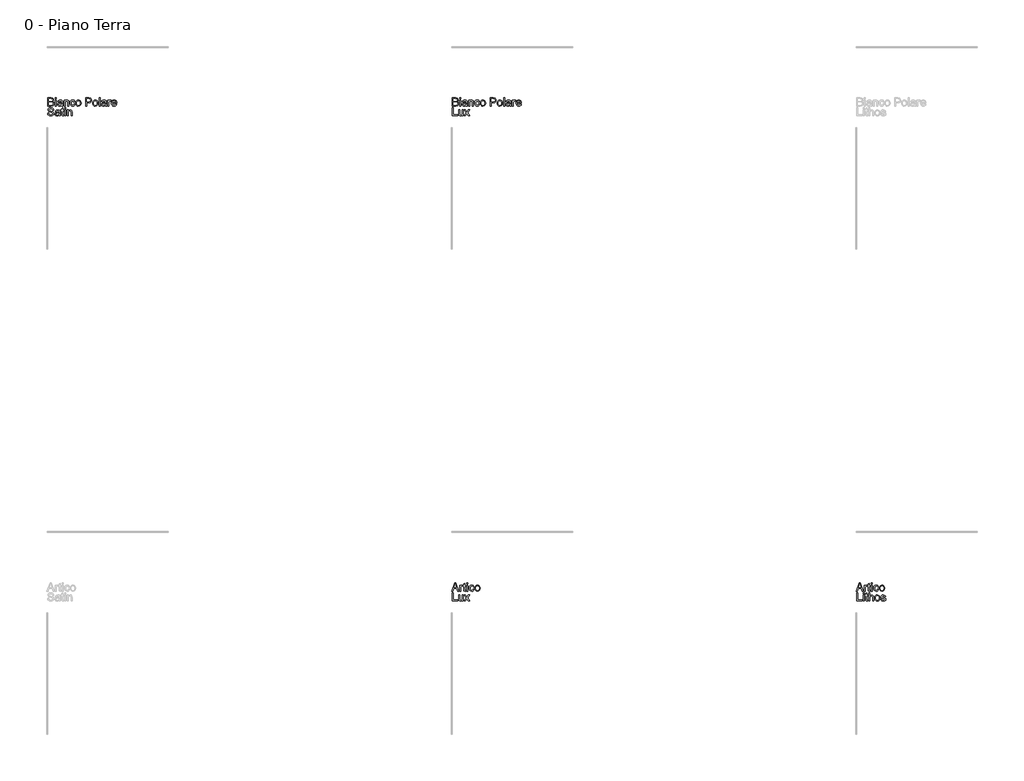
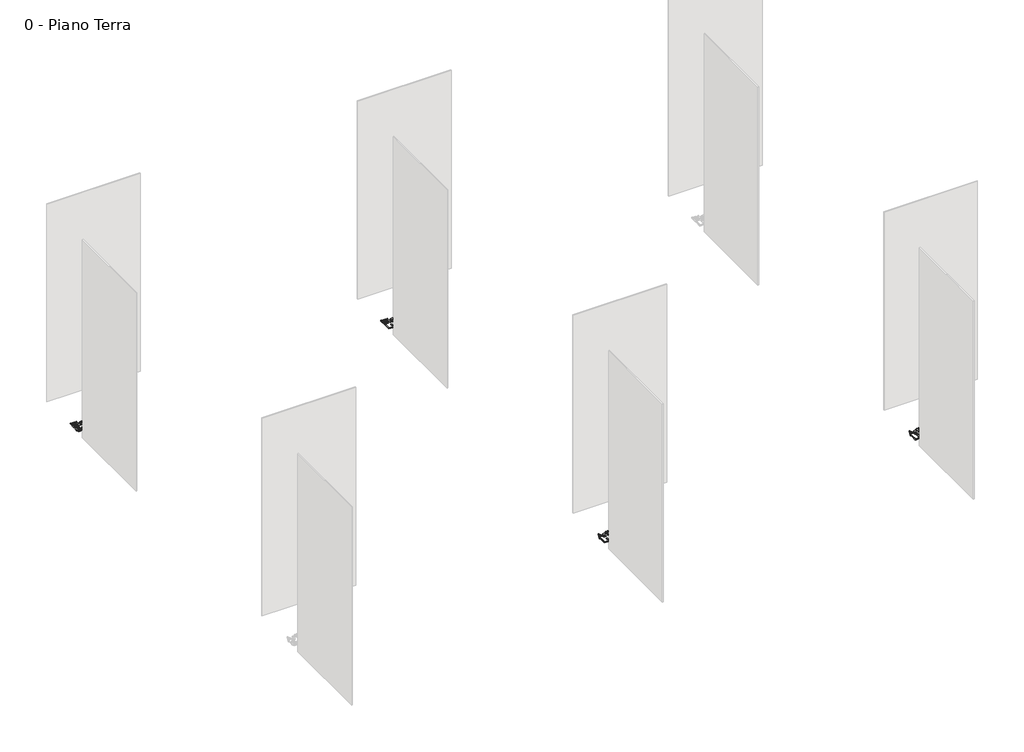
# One storey, part 27 of 35: 4 proxies.
"""IFC4 building model written with IfcOpenShell, lengths in millimetres."""

from ifc_helpers import new_model, si_unit, origin, origin_with_axes, place, context, project, spatial, polyline, outline, extrude, element, save

model = new_model("IFC4")

# Units and contexts
model_context = context("Model", 3, world=origin())
ifc_project = project(units=[si_unit("LENGTHUNIT", "METRE", prefix="MILLI")], contexts=[model_context])

# Site, building, storey
site = spatial("IfcSite", under=ifc_project)
building = spatial("IfcBuilding", under=site)
storey = spatial("IfcBuildingStorey", under=building, Name="0 - Piano Terra", Elevation=0.0)

# Proxies
placement = place(None, origin())
element("IfcBuildingElementProxy", 1, Name="Testo modello 1", ObjectType="Testo modello 1", at=placement, inside=storey, context=model_context, shape_type="SweptSolid", body=[
    extrude(outline(polyline([(2731.7292491, -12273.7592352), (2731.7292491, -12173.302925), (2770.062553, -12173.302925), (2788.8367975, -12176.2582437), (2799.9223082, -12185.344929), (2803.932222, -12198.1962733), (2800.5599704, -12209.931709), (2790.3696391, -12218.8221905), (2802.7427369, -12228.1909187), (2807.0714817, -12243.8136407), (2804.116163, -12257.31491), (2796.7953113, -12266.9288928), (2785.869216, -12272.0301898), (2769.7682474, -12273.7592352), (2731.7292491, -12273.7592352)]), holes=[polyline([(2744.2862878, -12214.113301), (2767.2175989, -12214.113301), (2780.6085035, -12213.0341805), (2788.6651192, -12208.3866046), (2791.3751832, -12200.2073616), (2788.8490602, -12192.0158558), (2781.6140476, -12187.1720762), (2765.4762908, -12185.8599638), (2744.2862878, -12185.8599638), (2744.2862878, -12214.113301)]), polyline([(2744.2862878, -12261.2021964), (2770.0380275, -12261.2021964), (2779.3577047, -12260.7116871), (2787.2426421, -12257.9770976), (2792.4665665, -12252.397554), (2794.5144429, -12243.9362681), (2792.1109472, -12234.1751325), (2784.3241117, -12228.3503342), (2768.8117542, -12226.6703398), (2744.2862878, -12226.6703398), (2744.2862878, -12261.2021964)])]), origin_with_axes(), (0.0, 0.0, 1.0), 10.0),
    extrude(outline(polyline([(2822.7677801, -12185.8599638), (2822.7677801, -12173.302925), (2835.3248189, -12173.302925), (2835.3248189, -12185.8599638), (2822.7677801, -12185.8599638)])), origin_with_axes(), (0.0, 0.0, 1.0), 10.0),
    extrude(outline(polyline([(2822.7677801, -12273.7592352), (2822.7677801, -12199.9866324), (2835.3248189, -12199.9866324), (2835.3248189, -12273.7592352), (2822.7677801, -12273.7592352)])), origin_with_axes(), (0.0, 0.0, 1.0), 10.0),
    extrude(outline(polyline([(2901.2492725, -12264.3414561), (2889.0723784, -12272.8517929), (2875.6201601, -12275.328865), (2865.1263262, -12273.8389429), (2857.3854759, -12269.3691767), (2852.612207, -12262.5817539), (2851.0211174, -12254.1388621), (2853.4246131, -12244.2060482), (2859.7399207, -12236.9955611), (2868.5323003, -12232.8752828), (2879.3970819, -12230.9868218), (2901.1756961, -12226.6703398), (2901.2492725, -12223.8744366), (2897.7911817, -12214.6038103), (2883.9097677, -12210.9740413), (2871.2055762, -12213.3897997), (2865.147786, -12221.9614502), (2852.5907472, -12220.3918204), (2858.023138, -12208.1290872), (2868.961496, -12200.9431256), (2885.5284485, -12198.4170025), (2900.7465004, -12200.64882), (2909.3426763, -12206.252889), (2913.1931746, -12214.7754886), (2913.8063112, -12225.7628975), (2913.8063112, -12241.3856196), (2914.4439733, -12263.2010219), (2916.9455709, -12273.7592352), (2904.3885321, -12273.7592352), (2901.2492725, -12264.3414561)]), holes=[polyline([(2901.2492725, -12239.2273785), (2880.9912373, -12243.0778768), (2870.1877693, -12245.1134905), (2865.2949388, -12248.4244284), (2863.5781561, -12253.2559453), (2867.3182898, -12260.0494995), (2878.293436, -12262.7718262), (2890.9976275, -12259.7674566), (2899.1891333, -12252.4956558), (2901.1756961, -12242.7835712), (2901.2492725, -12239.2273785)])]), origin_with_axes(), (0.0, 0.0, 1.0), 10.0),
    extrude(outline(polyline([(2931.0722395, -12273.7592352), (2931.0722395, -12199.9866324), (2943.6292783, -12199.9866324), (2943.6292783, -12210.2873283), (2953.2309984, -12201.384584), (2966.3398601, -12198.4170025), (2978.1979231, -12200.8082355), (2986.291327, -12207.0867549), (2990.0559861, -12216.320593), (2990.7181737, -12228.4606988), (2990.7181737, -12273.7592352), (2978.1611349, -12273.7592352), (2978.1611349, -12230.152956), (2976.7141324, -12219.0429197), (2971.6005727, -12213.1690705), (2962.9798712, -12210.9740413), (2949.3559747, -12215.90366), (2945.0609524, -12223.0467021), (2943.6292783, -12234.6165909), (2943.6292783, -12273.7592352), (2931.0722395, -12273.7592352)])), origin_with_axes(), (0.0, 0.0, 1.0), 10.0),
    extrude(outline(polyline([(3055.0729974, -12247.0755278), (3067.6300361, -12248.6451576), (3064.1290258, -12259.8134419), (3057.5500695, -12268.253268), (3048.5124351, -12273.5599657), (3037.6353908, -12275.328865), (3024.2782087, -12272.8609899), (3013.8334257, -12265.4573648), (3007.0919881, -12253.442952), (3004.8448423, -12237.1427139), (3008.6830778, -12216.2838048), (3020.3817252, -12202.8806374), (3037.4637125, -12198.4170025), (3048.0740424, -12199.9498442), (3056.5567881, -12204.5483691), (3062.6421694, -12211.9673227), (3066.0604063, -12221.9614502), (3053.5033675, -12223.5310801), (3047.6785693, -12214.1255637), (3037.5618144, -12210.9740413), (3029.4469507, -12212.5252771), (3023.0059501, -12217.1789843), (3018.8028983, -12225.1865491), (3017.4018811, -12236.7993574), (3018.7722415, -12248.5685155), (3022.8833228, -12256.6036714), (3029.2078274, -12261.2297875), (3037.2184579, -12262.7718262), (3049.0519954, -12258.921328), (3055.0729974, -12247.0755278)])), origin_with_axes(), (0.0, 0.0, 1.0), 10.0),
    extrude(outline(polyline([(3075.4781854, -12236.8729338), (3078.1943808, -12219.0858393), (3086.342967, -12206.5839828), (3096.4106709, -12200.4587476), (3108.4649376, -12198.4170025), (3121.6565728, -12200.9032717), (3132.1933263, -12208.3620791), (3139.1003108, -12220.2048137), (3141.4026389, -12235.8428642), (3137.3314115, -12258.185564), (3125.4733485, -12270.8284419), (3108.4649376, -12275.328865), (3095.1138869, -12272.8517929), (3084.5893961, -12265.4205766), (3077.7559881, -12253.3295217), (3075.4781854, -12236.8729338)]), holes=[polyline([(3088.0352241, -12236.8484083), (3089.488358, -12248.2128963), (3093.8477597, -12256.3093658), (3100.4083219, -12261.1562111), (3108.4649376, -12262.7718262), (3116.4847651, -12261.1470141), (3123.0330646, -12256.2725776), (3127.3924663, -12248.0688092), (3128.8456001, -12236.4560008), (3127.3832692, -12225.4226067), (3122.9962764, -12217.4365017), (3116.4387798, -12212.5896564), (3108.4649376, -12210.9740413), (3100.4083219, -12212.583525), (3093.8477597, -12217.4119762), (3089.488358, -12225.4900517), (3088.0352241, -12236.8484083)])]), origin_with_axes(), (0.0, 0.0, 1.0), 10.0),
    extrude(outline(polyline([(3196.3396835, -12273.7592352), (3196.3396835, -12173.302925), (3233.5693414, -12173.302925), (3248.5789268, -12174.2594182), (3260.7803463, -12178.956045), (3268.6898092, -12188.6681297), (3271.6819161, -12202.3656026), (3269.6616308, -12214.2052715), (3263.600775, -12224.0706403), (3252.2669438, -12230.7293044), (3234.4277328, -12232.9488592), (3208.8967223, -12232.9488592), (3208.8967223, -12273.7592352), (3196.3396835, -12273.7592352)]), holes=[polyline([(3208.8967223, -12220.3918204), (3235.1634967, -12220.3918204), (3253.6556984, -12215.7810327), (3257.7575826, -12210.232146), (3259.1248774, -12202.807061), (3255.8997785, -12192.4082633), (3247.4262299, -12186.7183551), (3234.8691911, -12185.8599638), (3208.8967223, -12185.8599638), (3208.8967223, -12220.3918204)])]), origin_with_axes(), (0.0, 0.0, 1.0), 10.0),
    extrude(outline(polyline([(3284.2389549, -12236.8729338), (3286.9551503, -12219.0858393), (3295.1037365, -12206.5839828), (3305.1714404, -12200.4587476), (3317.2257071, -12198.4170025), (3330.4173423, -12200.9032717), (3340.9540958, -12208.3620791), (3347.8610803, -12220.2048137), (3350.1634084, -12235.8428642), (3346.092181, -12258.185564), (3334.234118, -12270.8284419), (3317.2257071, -12275.328865), (3303.8746564, -12272.8517929), (3293.3501656, -12265.4205766), (3286.5167576, -12253.3295217), (3284.2389549, -12236.8729338)]), holes=[polyline([(3296.7959937, -12236.8484083), (3298.2491275, -12248.2128963), (3302.6085292, -12256.3093658), (3309.1690914, -12261.1562111), (3317.2257071, -12262.7718262), (3325.2455346, -12261.1470141), (3331.7938341, -12256.2725776), (3336.1532358, -12248.0688092), (3337.6063697, -12236.4560008), (3336.1440387, -12225.4226067), (3331.7570459, -12217.4365017), (3325.1995494, -12212.5896564), (3317.2257071, -12210.9740413), (3309.1690914, -12212.583525), (3302.6085292, -12217.4119762), (3298.2491275, -12225.4900517), (3296.7959937, -12236.8484083)])]), origin_with_axes(), (0.0, 0.0, 1.0), 10.0),
    extrude(outline(polyline([(3364.290077, -12273.7592352), (3364.290077, -12173.302925), (3376.8471158, -12173.302925), (3376.8471158, -12273.7592352), (3364.290077, -12273.7592352)])), origin_with_axes(), (0.0, 0.0, 1.0), 10.0),
    extrude(outline(polyline([(3442.7715694, -12264.3414561), (3430.5946753, -12272.8517929), (3417.142457, -12275.328865), (3406.6486231, -12273.8389429), (3398.9077728, -12269.3691767), (3394.1345039, -12262.5817539), (3392.5434143, -12254.1388621), (3394.94691, -12244.2060482), (3401.2622176, -12236.9955611), (3410.0545972, -12232.8752828), (3420.9193788, -12230.9868218), (3442.697993, -12226.6703398), (3442.7715694, -12223.8744366), (3439.3134786, -12214.6038103), (3425.4320646, -12210.9740413), (3412.7278731, -12213.3897997), (3406.6700829, -12221.9614502), (3394.1130441, -12220.3918204), (3399.5454349, -12208.1290872), (3410.4837929, -12200.9431256), (3427.0507454, -12198.4170025), (3442.2687973, -12200.64882), (3450.8649732, -12206.252889), (3454.7154715, -12214.7754886), (3455.3286081, -12225.7628975), (3455.3286081, -12241.3856196), (3455.9662702, -12263.2010219), (3458.4678678, -12273.7592352), (3445.910829, -12273.7592352), (3442.7715694, -12264.3414561)]), holes=[polyline([(3442.7715694, -12239.2273785), (3422.5135342, -12243.0778768), (3411.7100662, -12245.1134905), (3406.8172357, -12248.4244284), (3405.100453, -12253.2559453), (3408.8405867, -12260.0494995), (3419.8157329, -12262.7718262), (3432.5199244, -12259.7674566), (3440.7114302, -12252.4956558), (3442.697993, -12242.7835712), (3442.7715694, -12239.2273785)])]), origin_with_axes(), (0.0, 0.0, 1.0), 10.0),
    extrude(outline(polyline([(3472.5945364, -12273.7592352), (3472.5945364, -12199.9866324), (3483.5819454, -12199.9866324), (3483.5819454, -12210.9004649), (3491.3810436, -12200.8450237), (3499.2291929, -12198.4170025), (3511.8352826, -12202.2920262), (3507.6414278, -12213.5492153), (3498.81226, -12210.9740413), (3491.7121374, -12213.4511134), (3487.1871889, -12220.318244), (3485.1515752, -12234.9844729), (3485.1515752, -12273.7592352), (3472.5945364, -12273.7592352)])), origin_with_axes(), (0.0, 0.0, 1.0), 10.0),
    extrude(outline(polyline([(3571.3340639, -12251.7844173), (3583.645848, -12253.3540472), (3579.2098043, -12262.6308048), (3572.1311416, -12269.5653804), (3562.5692754, -12273.8879938), (3550.6836213, -12275.328865), (3535.9499474, -12272.8425958), (3524.6130505, -12265.3837884), (3517.3841693, -12253.4368206), (3514.9745423, -12237.4860704), (3517.4086948, -12220.9988257), (3524.7111524, -12208.6686475), (3535.8947651, -12200.9799138), (3549.9723827, -12198.4170025), (3563.6116077, -12200.9737824), (3574.5101118, -12208.644122), (3581.6562196, -12220.9497747), (3584.0382555, -12237.412494), (3583.9646791, -12240.7970084), (3527.531581, -12240.7970084), (3529.7051505, -12250.1963934), (3534.7543309, -12257.1064435), (3542.0414601, -12261.3554805), (3550.9288759, -12262.7718262), (3563.24066, -12260.1476013), (3571.3340639, -12251.7844173)]), holes=[polyline([(3527.531581, -12228.2399696), (3571.4812167, -12228.2399696), (3566.4534961, -12216.8601532), (3559.1326444, -12212.4455693), (3549.9233318, -12210.9740413), (3534.4600253, -12215.6706681), (3529.5947859, -12221.1613069), (3527.531581, -12228.2399696)])]), origin_with_axes(), (0.0, 0.0, 1.0), 10.0),
    extrude(outline(polyline([(2727.0203595, -12361.2021964), (2739.5773983, -12361.2021964), (2743.6241003, -12373.7714979), (2753.5078632, -12381.717749), (2768.5664995, -12384.7466441), (2781.687624, -12382.453513), (2790.1611726, -12376.1504681), (2792.9448131, -12367.7259704), (2790.8601484, -12359.8900839), (2782.3252861, -12354.187913), (2764.041551, -12349.3931843), (2744.3598642, -12343.2005041), (2733.6790237, -12333.8563014), (2730.1596192, -12321.372839), (2734.5128895, -12307.1603313), (2747.2293438, -12297.1294156), (2765.8441728, -12293.708113), (2785.7098005, -12297.2888311), (2798.9535523, -12307.8102561), (2803.932222, -12323.5310801), (2791.3751832, -12323.5310801), (2789.0697894, -12316.0385501), (2784.262798, -12310.6306848), (2766.3346821, -12306.2651518), (2748.3575153, -12310.5816338), (2742.716658, -12321.004957), (2746.714309, -12329.7114976), (2767.2175989, -12336.725781), (2789.4376714, -12343.0288258), (2801.59004, -12353.2068944), (2805.5018518, -12367.4071394), (2801.0014288, -12382.4289875), (2788.0519825, -12393.391871), (2769.0570089, -12397.3036828), (2746.6284699, -12393.0853026), (2732.4404876, -12380.3811111), (2727.0203595, -12361.2021964)])), origin_with_axes(), (0.0, 0.0, 1.0), 10.0),
    extrude(outline(polyline([(2869.8566755, -12386.3162739), (2857.6797815, -12394.8266107), (2844.2275632, -12397.3036828), (2833.7337293, -12395.8137608), (2825.992879, -12391.3439945), (2821.2196101, -12384.5565717), (2819.6285205, -12376.1136799), (2822.0320162, -12366.1808661), (2828.3473237, -12358.9703789), (2837.1397034, -12354.8501006), (2848.004485, -12352.9616397), (2869.7830991, -12348.6451576), (2869.8566755, -12345.8492545), (2866.3985848, -12336.5786282), (2852.5171708, -12332.9488592), (2839.8129793, -12335.3646176), (2833.7551891, -12343.9362681), (2821.1981503, -12342.3666382), (2826.6305411, -12330.1039051), (2837.5688991, -12322.9179434), (2854.1358516, -12320.3918204), (2869.3539035, -12322.6236378), (2877.9500794, -12328.2277069), (2881.8005776, -12336.7503064), (2882.4137143, -12347.7377154), (2882.4137143, -12363.3604374), (2883.0513764, -12385.1758397), (2885.552974, -12395.734053), (2872.9959352, -12395.734053), (2869.8566755, -12386.3162739)]), holes=[polyline([(2869.8566755, -12361.2021964), (2849.5986403, -12365.0526946), (2838.7951724, -12367.0883083), (2833.9023419, -12370.3992463), (2832.1855592, -12375.2307631), (2835.9256928, -12382.0243173), (2846.900839, -12384.7466441), (2859.6050306, -12381.7422744), (2867.7965364, -12374.4704737), (2869.7830991, -12364.758389), (2869.8566755, -12361.2021964)])]), origin_with_axes(), (0.0, 0.0, 1.0), 10.0),
    extrude(outline(polyline([(2926.36335, -12385.2616789), (2927.9329798, -12396.101935), (2918.5397262, -12397.3036828), (2908.0183012, -12395.2190182), (2902.7698514, -12389.7498392), (2901.2492725, -12375.5005433), (2901.2492725, -12334.518489), (2891.8314934, -12334.518489), (2891.8314934, -12321.9614502), (2901.2492725, -12321.9614502), (2901.2492725, -12304.0333343), (2913.8063112, -12296.651169), (2913.8063112, -12321.9614502), (2926.36335, -12321.9614502), (2926.36335, -12334.518489), (2913.8063112, -12334.518489), (2913.8063112, -12375.1326613), (2914.4684988, -12381.6073844), (2916.6144771, -12383.9005155), (2920.894171, -12384.7466441), (2926.36335, -12385.2616789)])), origin_with_axes(), (0.0, 0.0, 1.0), 10.0),
    extrude(outline(polyline([(2938.9203888, -12307.8347816), (2938.9203888, -12295.2777428), (2951.4774275, -12295.2777428), (2951.4774275, -12307.8347816), (2938.9203888, -12307.8347816)])), origin_with_axes(), (0.0, 0.0, 1.0), 10.0),
    extrude(outline(polyline([(2938.9203888, -12395.734053), (2938.9203888, -12321.9614502), (2951.4774275, -12321.9614502), (2951.4774275, -12395.734053), (2938.9203888, -12395.734053)])), origin_with_axes(), (0.0, 0.0, 1.0), 10.0),
    extrude(outline(polyline([(2970.3129857, -12395.734053), (2970.3129857, -12321.9614502), (2982.8700244, -12321.9614502), (2982.8700244, -12332.2621461), (2992.4717445, -12323.3594018), (3005.5806063, -12320.3918204), (3017.4386693, -12322.7830534), (3025.5320732, -12329.0615727), (3029.2967322, -12338.2954108), (3029.9589198, -12350.4355167), (3029.9589198, -12395.734053), (3017.4018811, -12395.734053), (3017.4018811, -12352.1277738), (3015.9548785, -12341.0177376), (3010.8413188, -12335.1438884), (3002.2206174, -12332.9488592), (2988.5967208, -12337.8784779), (2984.3016985, -12345.02152), (2982.8700244, -12356.5914087), (2982.8700244, -12395.734053), (2970.3129857, -12395.734053)])), origin_with_axes(), (0.0, 0.0, 1.0), 10.0),
])
element("IfcBuildingElementProxy", 2, Name="Testo modello 1", ObjectType="Testo modello 1", at=placement, inside=storey, context=model_context, shape_type="SweptSolid", body=[
    extrude(outline(polyline([(7731.7292491, -12273.7592352), (7731.7292491, -12173.302925), (7770.062553, -12173.302925), (7788.8367975, -12176.2582437), (7799.9223082, -12185.344929), (7803.932222, -12198.1962733), (7800.5599704, -12209.931709), (7790.3696391, -12218.8221905), (7802.7427369, -12228.1909187), (7807.0714817, -12243.8136407), (7804.116163, -12257.31491), (7796.7953113, -12266.9288928), (7785.869216, -12272.0301898), (7769.7682474, -12273.7592352), (7731.7292491, -12273.7592352)]), holes=[polyline([(7744.2862878, -12214.113301), (7767.2175989, -12214.113301), (7780.6085035, -12213.0341805), (7788.6651192, -12208.3866046), (7791.3751832, -12200.2073616), (7788.8490602, -12192.0158558), (7781.6140476, -12187.1720762), (7765.4762908, -12185.8599638), (7744.2862878, -12185.8599638), (7744.2862878, -12214.113301)]), polyline([(7744.2862878, -12261.2021964), (7770.0380275, -12261.2021964), (7779.3577047, -12260.7116871), (7787.2426421, -12257.9770976), (7792.4665665, -12252.397554), (7794.5144429, -12243.9362681), (7792.1109472, -12234.1751325), (7784.3241117, -12228.3503342), (7768.8117542, -12226.6703398), (7744.2862878, -12226.6703398), (7744.2862878, -12261.2021964)])]), origin_with_axes(), (0.0, 0.0, 1.0), 10.0),
    extrude(outline(polyline([(7822.7677801, -12185.8599638), (7822.7677801, -12173.302925), (7835.3248189, -12173.302925), (7835.3248189, -12185.8599638), (7822.7677801, -12185.8599638)])), origin_with_axes(), (0.0, 0.0, 1.0), 10.0),
    extrude(outline(polyline([(7822.7677801, -12273.7592352), (7822.7677801, -12199.9866324), (7835.3248189, -12199.9866324), (7835.3248189, -12273.7592352), (7822.7677801, -12273.7592352)])), origin_with_axes(), (0.0, 0.0, 1.0), 10.0),
    extrude(outline(polyline([(7901.2492725, -12264.3414561), (7889.0723784, -12272.8517929), (7875.6201601, -12275.328865), (7865.1263262, -12273.8389429), (7857.3854759, -12269.3691767), (7852.612207, -12262.5817539), (7851.0211174, -12254.1388621), (7853.4246131, -12244.2060482), (7859.7399207, -12236.9955611), (7868.5323003, -12232.8752828), (7879.3970819, -12230.9868218), (7901.1756961, -12226.6703398), (7901.2492725, -12223.8744366), (7897.7911817, -12214.6038103), (7883.9097677, -12210.9740413), (7871.2055762, -12213.3897997), (7865.147786, -12221.9614502), (7852.5907472, -12220.3918204), (7858.023138, -12208.1290872), (7868.961496, -12200.9431256), (7885.5284485, -12198.4170025), (7900.7465004, -12200.64882), (7909.3426763, -12206.252889), (7913.1931746, -12214.7754886), (7913.8063112, -12225.7628975), (7913.8063112, -12241.3856196), (7914.4439733, -12263.2010219), (7916.9455709, -12273.7592352), (7904.3885321, -12273.7592352), (7901.2492725, -12264.3414561)]), holes=[polyline([(7901.2492725, -12239.2273785), (7880.9912373, -12243.0778768), (7870.1877693, -12245.1134905), (7865.2949388, -12248.4244284), (7863.5781561, -12253.2559453), (7867.3182898, -12260.0494995), (7878.293436, -12262.7718262), (7890.9976275, -12259.7674566), (7899.1891333, -12252.4956558), (7901.1756961, -12242.7835712), (7901.2492725, -12239.2273785)])]), origin_with_axes(), (0.0, 0.0, 1.0), 10.0),
    extrude(outline(polyline([(7931.0722395, -12273.7592352), (7931.0722395, -12199.9866324), (7943.6292783, -12199.9866324), (7943.6292783, -12210.2873283), (7953.2309984, -12201.384584), (7966.3398601, -12198.4170025), (7978.1979231, -12200.8082355), (7986.291327, -12207.0867549), (7990.0559861, -12216.320593), (7990.7181737, -12228.4606988), (7990.7181737, -12273.7592352), (7978.1611349, -12273.7592352), (7978.1611349, -12230.152956), (7976.7141324, -12219.0429197), (7971.6005727, -12213.1690705), (7962.9798712, -12210.9740413), (7949.3559747, -12215.90366), (7945.0609524, -12223.0467021), (7943.6292783, -12234.6165909), (7943.6292783, -12273.7592352), (7931.0722395, -12273.7592352)])), origin_with_axes(), (0.0, 0.0, 1.0), 10.0),
    extrude(outline(polyline([(8055.0729974, -12247.0755278), (8067.6300361, -12248.6451576), (8064.1290258, -12259.8134419), (8057.5500695, -12268.253268), (8048.5124351, -12273.5599657), (8037.6353908, -12275.328865), (8024.2782087, -12272.8609899), (8013.8334257, -12265.4573648), (8007.0919881, -12253.442952), (8004.8448423, -12237.1427139), (8008.6830778, -12216.2838048), (8020.3817252, -12202.8806374), (8037.4637125, -12198.4170025), (8048.0740424, -12199.9498442), (8056.5567881, -12204.5483691), (8062.6421694, -12211.9673227), (8066.0604063, -12221.9614502), (8053.5033675, -12223.5310801), (8047.6785693, -12214.1255637), (8037.5618144, -12210.9740413), (8029.4469507, -12212.5252771), (8023.0059501, -12217.1789843), (8018.8028983, -12225.1865491), (8017.4018811, -12236.7993574), (8018.7722415, -12248.5685155), (8022.8833228, -12256.6036714), (8029.2078274, -12261.2297875), (8037.2184579, -12262.7718262), (8049.0519954, -12258.921328), (8055.0729974, -12247.0755278)])), origin_with_axes(), (0.0, 0.0, 1.0), 10.0),
    extrude(outline(polyline([(8075.4781854, -12236.8729338), (8078.1943808, -12219.0858393), (8086.342967, -12206.5839828), (8096.4106709, -12200.4587476), (8108.4649376, -12198.4170025), (8121.6565728, -12200.9032717), (8132.1933263, -12208.3620791), (8139.1003108, -12220.2048137), (8141.4026389, -12235.8428642), (8137.3314115, -12258.185564), (8125.4733485, -12270.8284419), (8108.4649376, -12275.328865), (8095.1138869, -12272.8517929), (8084.5893961, -12265.4205766), (8077.7559881, -12253.3295217), (8075.4781854, -12236.8729338)]), holes=[polyline([(8088.0352241, -12236.8484083), (8089.488358, -12248.2128963), (8093.8477597, -12256.3093658), (8100.4083219, -12261.1562111), (8108.4649376, -12262.7718262), (8116.4847651, -12261.1470141), (8123.0330646, -12256.2725776), (8127.3924663, -12248.0688092), (8128.8456001, -12236.4560008), (8127.3832692, -12225.4226067), (8122.9962764, -12217.4365017), (8116.4387798, -12212.5896564), (8108.4649376, -12210.9740413), (8100.4083219, -12212.583525), (8093.8477597, -12217.4119762), (8089.488358, -12225.4900517), (8088.0352241, -12236.8484083)])]), origin_with_axes(), (0.0, 0.0, 1.0), 10.0),
    extrude(outline(polyline([(8196.3396835, -12273.7592352), (8196.3396835, -12173.302925), (8233.5693414, -12173.302925), (8248.5789268, -12174.2594182), (8260.7803463, -12178.956045), (8268.6898092, -12188.6681297), (8271.6819161, -12202.3656026), (8269.6616308, -12214.2052715), (8263.600775, -12224.0706403), (8252.2669438, -12230.7293044), (8234.4277328, -12232.9488592), (8208.8967223, -12232.9488592), (8208.8967223, -12273.7592352), (8196.3396835, -12273.7592352)]), holes=[polyline([(8208.8967223, -12220.3918204), (8235.1634967, -12220.3918204), (8253.6556984, -12215.7810327), (8257.7575826, -12210.232146), (8259.1248774, -12202.807061), (8255.8997785, -12192.4082633), (8247.4262299, -12186.7183551), (8234.8691911, -12185.8599638), (8208.8967223, -12185.8599638), (8208.8967223, -12220.3918204)])]), origin_with_axes(), (0.0, 0.0, 1.0), 10.0),
    extrude(outline(polyline([(8284.2389549, -12236.8729338), (8286.9551503, -12219.0858393), (8295.1037365, -12206.5839828), (8305.1714404, -12200.4587476), (8317.2257071, -12198.4170025), (8330.4173423, -12200.9032717), (8340.9540958, -12208.3620791), (8347.8610803, -12220.2048137), (8350.1634084, -12235.8428642), (8346.092181, -12258.185564), (8334.234118, -12270.8284419), (8317.2257071, -12275.328865), (8303.8746564, -12272.8517929), (8293.3501656, -12265.4205766), (8286.5167576, -12253.3295217), (8284.2389549, -12236.8729338)]), holes=[polyline([(8296.7959937, -12236.8484083), (8298.2491275, -12248.2128963), (8302.6085292, -12256.3093658), (8309.1690914, -12261.1562111), (8317.2257071, -12262.7718262), (8325.2455346, -12261.1470141), (8331.7938341, -12256.2725776), (8336.1532358, -12248.0688092), (8337.6063697, -12236.4560008), (8336.1440387, -12225.4226067), (8331.7570459, -12217.4365017), (8325.1995494, -12212.5896564), (8317.2257071, -12210.9740413), (8309.1690914, -12212.583525), (8302.6085292, -12217.4119762), (8298.2491275, -12225.4900517), (8296.7959937, -12236.8484083)])]), origin_with_axes(), (0.0, 0.0, 1.0), 10.0),
    extrude(outline(polyline([(8364.290077, -12273.7592352), (8364.290077, -12173.302925), (8376.8471158, -12173.302925), (8376.8471158, -12273.7592352), (8364.290077, -12273.7592352)])), origin_with_axes(), (0.0, 0.0, 1.0), 10.0),
    extrude(outline(polyline([(8442.7715694, -12264.3414561), (8430.5946753, -12272.8517929), (8417.142457, -12275.328865), (8406.6486231, -12273.8389429), (8398.9077728, -12269.3691767), (8394.1345039, -12262.5817539), (8392.5434143, -12254.1388621), (8394.94691, -12244.2060482), (8401.2622176, -12236.9955611), (8410.0545972, -12232.8752828), (8420.9193788, -12230.9868218), (8442.697993, -12226.6703398), (8442.7715694, -12223.8744366), (8439.3134786, -12214.6038103), (8425.4320646, -12210.9740413), (8412.7278731, -12213.3897997), (8406.6700829, -12221.9614502), (8394.1130441, -12220.3918204), (8399.5454349, -12208.1290872), (8410.4837929, -12200.9431256), (8427.0507454, -12198.4170025), (8442.2687973, -12200.64882), (8450.8649732, -12206.252889), (8454.7154715, -12214.7754886), (8455.3286081, -12225.7628975), (8455.3286081, -12241.3856196), (8455.9662702, -12263.2010219), (8458.4678678, -12273.7592352), (8445.910829, -12273.7592352), (8442.7715694, -12264.3414561)]), holes=[polyline([(8442.7715694, -12239.2273785), (8422.5135342, -12243.0778768), (8411.7100662, -12245.1134905), (8406.8172357, -12248.4244284), (8405.100453, -12253.2559453), (8408.8405867, -12260.0494995), (8419.8157329, -12262.7718262), (8432.5199244, -12259.7674566), (8440.7114302, -12252.4956558), (8442.697993, -12242.7835712), (8442.7715694, -12239.2273785)])]), origin_with_axes(), (0.0, 0.0, 1.0), 10.0),
    extrude(outline(polyline([(8472.5945364, -12273.7592352), (8472.5945364, -12199.9866324), (8483.5819454, -12199.9866324), (8483.5819454, -12210.9004649), (8491.3810436, -12200.8450237), (8499.2291929, -12198.4170025), (8511.8352826, -12202.2920262), (8507.6414278, -12213.5492153), (8498.81226, -12210.9740413), (8491.7121374, -12213.4511134), (8487.1871889, -12220.318244), (8485.1515752, -12234.9844729), (8485.1515752, -12273.7592352), (8472.5945364, -12273.7592352)])), origin_with_axes(), (0.0, 0.0, 1.0), 10.0),
    extrude(outline(polyline([(8571.3340639, -12251.7844173), (8583.645848, -12253.3540472), (8579.2098043, -12262.6308048), (8572.1311416, -12269.5653804), (8562.5692754, -12273.8879938), (8550.6836213, -12275.328865), (8535.9499474, -12272.8425958), (8524.6130505, -12265.3837884), (8517.3841693, -12253.4368206), (8514.9745423, -12237.4860704), (8517.4086948, -12220.9988257), (8524.7111524, -12208.6686475), (8535.8947651, -12200.9799138), (8549.9723827, -12198.4170025), (8563.6116077, -12200.9737824), (8574.5101118, -12208.644122), (8581.6562196, -12220.9497747), (8584.0382555, -12237.412494), (8583.9646791, -12240.7970084), (8527.531581, -12240.7970084), (8529.7051505, -12250.1963934), (8534.7543309, -12257.1064435), (8542.0414601, -12261.3554805), (8550.9288759, -12262.7718262), (8563.24066, -12260.1476013), (8571.3340639, -12251.7844173)]), holes=[polyline([(8527.531581, -12228.2399696), (8571.4812167, -12228.2399696), (8566.4534961, -12216.8601532), (8559.1326444, -12212.4455693), (8549.9233318, -12210.9740413), (8534.4600253, -12215.6706681), (8529.5947859, -12221.1613069), (8527.531581, -12228.2399696)])]), origin_with_axes(), (0.0, 0.0, 1.0), 10.0),
    extrude(outline(polyline([(7731.7292491, -12395.734053), (7731.7292491, -12295.2777428), (7744.2862878, -12295.2777428), (7744.2862878, -12383.1770142), (7794.5144429, -12383.1770142), (7794.5144429, -12395.734053), (7731.7292491, -12395.734053)])), origin_with_axes(), (0.0, 0.0, 1.0), 10.0),
    extrude(outline(polyline([(7854.1603771, -12395.734053), (7854.1603771, -12383.0543869), (7844.3256651, -12393.7413589), (7831.4988462, -12397.3036828), (7819.6898341, -12394.8020853), (7811.5473793, -12388.5235659), (7807.8072457, -12379.2774651), (7807.0714817, -12367.6033431), (7807.0714817, -12321.9614502), (7819.6285205, -12321.9614502), (7819.6285205, -12361.6927057), (7820.3888099, -12374.4949991), (7825.3552168, -12382.0120546), (7834.7116823, -12384.7466441), (7845.1963191, -12381.9507409), (7852.1247634, -12374.3355836), (7854.1603771, -12360.3438051), (7854.1603771, -12321.9614502), (7866.7174158, -12321.9614502), (7866.7174158, -12395.734053), (7854.1603771, -12395.734053)])), origin_with_axes(), (0.0, 0.0, 1.0), 10.0),
    extrude(outline(polyline([(7876.1351949, -12395.734053), (7902.9660551, -12358.6515479), (7877.7048248, -12321.9614502), (7892.812512, -12321.9614502), (7905.0016688, -12339.619786), (7910.691577, -12347.9584446), (7915.6211957, -12341.1403649), (7929.5026097, -12321.9614502), (7944.610297, -12321.9614502), (7918.0737424, -12358.6515479), (7943.6292783, -12395.734053), (7928.521591, -12395.734053), (7913.1441236, -12373.4404041), (7910.323695, -12369.3691767), (7891.2428822, -12395.734053), (7876.1351949, -12395.734053)])), origin_with_axes(), (0.0, 0.0, 1.0), 10.0),
])
element("IfcBuildingElementProxy", 3, Name="Testo modello 1", ObjectType="Testo modello 1", at=placement, inside=storey, context=model_context, shape_type="SweptSolid", body=[
    extrude(outline(polyline([(7720.0306016, -18273.7592352), (7760.1297391, -18173.302925), (7770.8228424, -18173.302925), (7810.9219799, -18273.7592352), (7797.6537026, -18273.7592352), (7786.1512589, -18242.3666382), (7744.7767972, -18242.3666382), (7733.2988789, -18273.7592352), (7720.0306016, -18273.7592352)]), holes=[polyline([(7749.3875848, -18229.8095995), (7781.5649967, -18229.8095995), (7772.5150996, -18205.1124549), (7765.4762908, -18185.8599638), (7759.2222968, -18202.9542138), (7749.3875848, -18229.8095995)])]), origin_with_axes(), (0.0, 0.0, 1.0), 10.0),
    extrude(outline(polyline([(7822.7677801, -18273.7592352), (7822.7677801, -18199.9866324), (7833.7551891, -18199.9866324), (7833.7551891, -18210.9004649), (7841.5542874, -18200.8450237), (7849.4024366, -18198.4170025), (7862.0085263, -18202.2920262), (7857.8146716, -18213.5492153), (7848.9855037, -18210.9740413), (7841.8853812, -18213.4511134), (7837.3604326, -18220.318244), (7835.3248189, -18234.9844729), (7835.3248189, -18273.7592352), (7822.7677801, -18273.7592352)])), origin_with_axes(), (0.0, 0.0, 1.0), 10.0),
    extrude(outline(polyline([(7896.5403829, -18263.286861), (7898.1100128, -18274.1271171), (7888.7167592, -18275.328865), (7878.1953341, -18273.2442004), (7872.9468843, -18267.7750214), (7871.4263054, -18253.5257254), (7871.4263054, -18212.5436712), (7862.0085263, -18212.5436712), (7862.0085263, -18199.9866324), (7871.4263054, -18199.9866324), (7871.4263054, -18182.0585165), (7883.9833441, -18174.6763511), (7883.9833441, -18199.9866324), (7896.5403829, -18199.9866324), (7896.5403829, -18212.5436712), (7883.9833441, -18212.5436712), (7883.9833441, -18253.1578434), (7884.6455317, -18259.6325665), (7886.79151, -18261.9256976), (7891.0712039, -18262.7718262), (7896.5403829, -18263.286861)])), origin_with_axes(), (0.0, 0.0, 1.0), 10.0),
    extrude(outline(polyline([(7909.0974217, -18185.8599638), (7909.0974217, -18173.302925), (7921.6544605, -18173.302925), (7921.6544605, -18185.8599638), (7909.0974217, -18185.8599638)])), origin_with_axes(), (0.0, 0.0, 1.0), 10.0),
    extrude(outline(polyline([(7909.0974217, -18273.7592352), (7909.0974217, -18199.9866324), (7921.6544605, -18199.9866324), (7921.6544605, -18273.7592352), (7909.0974217, -18273.7592352)])), origin_with_axes(), (0.0, 0.0, 1.0), 10.0),
    extrude(outline(polyline([(7987.578914, -18247.0755278), (8000.1359528, -18248.6451576), (7996.6349424, -18259.8134419), (7990.0559861, -18268.253268), (7981.0183517, -18273.5599657), (7970.1413074, -18275.328865), (7956.7841253, -18272.8609899), (7946.3393423, -18265.4573648), (7939.5979048, -18253.442952), (7937.3507589, -18237.1427139), (7941.1889944, -18216.2838048), (7952.8876418, -18202.8806374), (7969.9696292, -18198.4170025), (7980.579959, -18199.9498442), (7989.0627047, -18204.5483691), (7995.148086, -18211.9673227), (7998.5663229, -18221.9614502), (7986.0092841, -18223.5310801), (7980.1844859, -18214.1255637), (7970.067731, -18210.9740413), (7961.9528673, -18212.5252771), (7955.5118667, -18217.1789843), (7951.3088149, -18225.1865491), (7949.9077977, -18236.7993574), (7951.2781581, -18248.5685155), (7955.3892394, -18256.6036714), (7961.713744, -18261.2297875), (7969.7243745, -18262.7718262), (7981.557912, -18258.921328), (7987.578914, -18247.0755278)])), origin_with_axes(), (0.0, 0.0, 1.0), 10.0),
    extrude(outline(polyline([(8007.984102, -18236.8729338), (8010.7002974, -18219.0858393), (8018.8488836, -18206.5839828), (8028.9165875, -18200.4587476), (8040.9708542, -18198.4170025), (8054.1624894, -18200.9032717), (8064.6992429, -18208.3620791), (8071.6062274, -18220.2048137), (8073.9085555, -18235.8428642), (8069.8373281, -18258.185564), (8057.9792651, -18270.8284419), (8040.9708542, -18275.328865), (8027.6198035, -18272.8517929), (8017.0953127, -18265.4205766), (8010.2619047, -18253.3295217), (8007.984102, -18236.8729338)]), holes=[polyline([(8020.5411408, -18236.8484083), (8021.9942746, -18248.2128963), (8026.3536763, -18256.3093658), (8032.9142385, -18261.1562111), (8040.9708542, -18262.7718262), (8048.9906817, -18261.1470141), (8055.5389812, -18256.2725776), (8059.8983829, -18248.0688092), (8061.3515168, -18236.4560008), (8059.8891858, -18225.4226067), (8055.502193, -18217.4365017), (8048.9446965, -18212.5896564), (8040.9708542, -18210.9740413), (8032.9142385, -18212.583525), (8026.3536763, -18217.4119762), (8021.9942746, -18225.4900517), (8020.5411408, -18236.8484083)])]), origin_with_axes(), (0.0, 0.0, 1.0), 10.0),
    extrude(outline(polyline([(7731.7292491, -18395.734053), (7731.7292491, -18295.2777428), (7744.2862878, -18295.2777428), (7744.2862878, -18383.1770142), (7794.5144429, -18383.1770142), (7794.5144429, -18395.734053), (7731.7292491, -18395.734053)])), origin_with_axes(), (0.0, 0.0, 1.0), 10.0),
    extrude(outline(polyline([(7854.1603771, -18395.734053), (7854.1603771, -18383.0543869), (7844.3256651, -18393.7413589), (7831.4988462, -18397.3036828), (7819.6898341, -18394.8020853), (7811.5473793, -18388.5235659), (7807.8072457, -18379.2774651), (7807.0714817, -18367.6033431), (7807.0714817, -18321.9614502), (7819.6285205, -18321.9614502), (7819.6285205, -18361.6927057), (7820.3888099, -18374.4949991), (7825.3552168, -18382.0120546), (7834.7116823, -18384.7466441), (7845.1963191, -18381.9507409), (7852.1247634, -18374.3355836), (7854.1603771, -18360.3438051), (7854.1603771, -18321.9614502), (7866.7174158, -18321.9614502), (7866.7174158, -18395.734053), (7854.1603771, -18395.734053)])), origin_with_axes(), (0.0, 0.0, 1.0), 10.0),
    extrude(outline(polyline([(7876.1351949, -18395.734053), (7902.9660551, -18358.6515479), (7877.7048248, -18321.9614502), (7892.812512, -18321.9614502), (7905.0016688, -18339.619786), (7910.691577, -18347.9584446), (7915.6211957, -18341.1403649), (7929.5026097, -18321.9614502), (7944.610297, -18321.9614502), (7918.0737424, -18358.6515479), (7943.6292783, -18395.734053), (7928.521591, -18395.734053), (7913.1441236, -18373.4404041), (7910.323695, -18369.3691767), (7891.2428822, -18395.734053), (7876.1351949, -18395.734053)])), origin_with_axes(), (0.0, 0.0, 1.0), 10.0),
])
element("IfcBuildingElementProxy", 4, Name="Testo modello 1", ObjectType="Testo modello 1", at=placement, inside=storey, context=model_context, shape_type="SweptSolid", body=[
    extrude(outline(polyline([(12720.0306016, -18273.7592352), (12760.1297391, -18173.302925), (12770.8228424, -18173.302925), (12810.9219799, -18273.7592352), (12797.6537026, -18273.7592352), (12786.1512589, -18242.3666382), (12744.7767972, -18242.3666382), (12733.2988789, -18273.7592352), (12720.0306016, -18273.7592352)]), holes=[polyline([(12749.3875848, -18229.8095995), (12781.5649967, -18229.8095995), (12772.5150996, -18205.1124549), (12765.4762908, -18185.8599638), (12759.2222968, -18202.9542138), (12749.3875848, -18229.8095995)])]), origin_with_axes(), (0.0, 0.0, 1.0), 10.0),
    extrude(outline(polyline([(12822.7677801, -18273.7592352), (12822.7677801, -18199.9866324), (12833.7551891, -18199.9866324), (12833.7551891, -18210.9004649), (12841.5542874, -18200.8450237), (12849.4024366, -18198.4170025), (12862.0085263, -18202.2920262), (12857.8146716, -18213.5492153), (12848.9855037, -18210.9740413), (12841.8853812, -18213.4511134), (12837.3604326, -18220.318244), (12835.3248189, -18234.9844729), (12835.3248189, -18273.7592352), (12822.7677801, -18273.7592352)])), origin_with_axes(), (0.0, 0.0, 1.0), 10.0),
    extrude(outline(polyline([(12896.5403829, -18263.286861), (12898.1100128, -18274.1271171), (12888.7167592, -18275.328865), (12878.1953341, -18273.2442004), (12872.9468843, -18267.7750214), (12871.4263054, -18253.5257254), (12871.4263054, -18212.5436712), (12862.0085263, -18212.5436712), (12862.0085263, -18199.9866324), (12871.4263054, -18199.9866324), (12871.4263054, -18182.0585165), (12883.9833441, -18174.6763511), (12883.9833441, -18199.9866324), (12896.5403829, -18199.9866324), (12896.5403829, -18212.5436712), (12883.9833441, -18212.5436712), (12883.9833441, -18253.1578434), (12884.6455317, -18259.6325665), (12886.79151, -18261.9256976), (12891.0712039, -18262.7718262), (12896.5403829, -18263.286861)])), origin_with_axes(), (0.0, 0.0, 1.0), 10.0),
    extrude(outline(polyline([(12909.0974217, -18185.8599638), (12909.0974217, -18173.302925), (12921.6544605, -18173.302925), (12921.6544605, -18185.8599638), (12909.0974217, -18185.8599638)])), origin_with_axes(), (0.0, 0.0, 1.0), 10.0),
    extrude(outline(polyline([(12909.0974217, -18273.7592352), (12909.0974217, -18199.9866324), (12921.6544605, -18199.9866324), (12921.6544605, -18273.7592352), (12909.0974217, -18273.7592352)])), origin_with_axes(), (0.0, 0.0, 1.0), 10.0),
    extrude(outline(polyline([(12987.578914, -18247.0755278), (13000.1359528, -18248.6451576), (12996.6349424, -18259.8134419), (12990.0559861, -18268.253268), (12981.0183517, -18273.5599657), (12970.1413074, -18275.328865), (12956.7841253, -18272.8609899), (12946.3393423, -18265.4573648), (12939.5979048, -18253.442952), (12937.3507589, -18237.1427139), (12941.1889944, -18216.2838048), (12952.8876418, -18202.8806374), (12969.9696292, -18198.4170025), (12980.579959, -18199.9498442), (12989.0627047, -18204.5483691), (12995.148086, -18211.9673227), (12998.5663229, -18221.9614502), (12986.0092841, -18223.5310801), (12980.1844859, -18214.1255637), (12970.067731, -18210.9740413), (12961.9528673, -18212.5252771), (12955.5118667, -18217.1789843), (12951.3088149, -18225.1865491), (12949.9077977, -18236.7993574), (12951.2781581, -18248.5685155), (12955.3892394, -18256.6036714), (12961.713744, -18261.2297875), (12969.7243745, -18262.7718262), (12981.557912, -18258.921328), (12987.578914, -18247.0755278)])), origin_with_axes(), (0.0, 0.0, 1.0), 10.0),
    extrude(outline(polyline([(13007.984102, -18236.8729338), (13010.7002974, -18219.0858393), (13018.8488836, -18206.5839828), (13028.9165875, -18200.4587476), (13040.9708542, -18198.4170025), (13054.1624894, -18200.9032717), (13064.6992429, -18208.3620791), (13071.6062274, -18220.2048137), (13073.9085555, -18235.8428642), (13069.8373281, -18258.185564), (13057.9792651, -18270.8284419), (13040.9708542, -18275.328865), (13027.6198035, -18272.8517929), (13017.0953127, -18265.4205766), (13010.2619047, -18253.3295217), (13007.984102, -18236.8729338)]), holes=[polyline([(13020.5411408, -18236.8484083), (13021.9942746, -18248.2128963), (13026.3536763, -18256.3093658), (13032.9142385, -18261.1562111), (13040.9708542, -18262.7718262), (13048.9906817, -18261.1470141), (13055.5389812, -18256.2725776), (13059.8983829, -18248.0688092), (13061.3515168, -18236.4560008), (13059.8891858, -18225.4226067), (13055.502193, -18217.4365017), (13048.9446965, -18212.5896564), (13040.9708542, -18210.9740413), (13032.9142385, -18212.583525), (13026.3536763, -18217.4119762), (13021.9942746, -18225.4900517), (13020.5411408, -18236.8484083)])]), origin_with_axes(), (0.0, 0.0, 1.0), 10.0),
    extrude(outline(polyline([(12731.7292491, -18395.734053), (12731.7292491, -18295.2777428), (12744.2862878, -18295.2777428), (12744.2862878, -18383.1770142), (12794.5144429, -18383.1770142), (12794.5144429, -18395.734053), (12731.7292491, -18395.734053)])), origin_with_axes(), (0.0, 0.0, 1.0), 10.0),
    extrude(outline(polyline([(12807.0714817, -18307.8347816), (12807.0714817, -18295.2777428), (12819.6285205, -18295.2777428), (12819.6285205, -18307.8347816), (12807.0714817, -18307.8347816)])), origin_with_axes(), (0.0, 0.0, 1.0), 10.0),
    extrude(outline(polyline([(12807.0714817, -18395.734053), (12807.0714817, -18321.9614502), (12819.6285205, -18321.9614502), (12819.6285205, -18395.734053), (12807.0714817, -18395.734053)])), origin_with_axes(), (0.0, 0.0, 1.0), 10.0),
    extrude(outline(polyline([(12865.147786, -18385.2616789), (12866.7174158, -18396.101935), (12857.3241622, -18397.3036828), (12846.8027372, -18395.2190182), (12841.5542874, -18389.7498392), (12840.0337085, -18375.5005433), (12840.0337085, -18334.518489), (12830.6159294, -18334.518489), (12830.6159294, -18321.9614502), (12840.0337085, -18321.9614502), (12840.0337085, -18304.0333343), (12852.5907472, -18296.651169), (12852.5907472, -18321.9614502), (12865.147786, -18321.9614502), (12865.147786, -18334.518489), (12852.5907472, -18334.518489), (12852.5907472, -18375.1326613), (12853.2529348, -18381.6073844), (12855.3989131, -18383.9005155), (12859.678607, -18384.7466441), (12865.147786, -18385.2616789)])), origin_with_axes(), (0.0, 0.0, 1.0), 10.0),
    extrude(outline(polyline([(12877.7048248, -18395.734053), (12877.7048248, -18295.2777428), (12890.2618635, -18295.2777428), (12890.2618635, -18332.2130952), (12900.053656, -18323.3471391), (12912.114054, -18320.3918204), (12926.2161972, -18323.6169192), (12934.7755849, -18332.5319262), (12937.3507589, -18349.0375651), (12937.3507589, -18395.734053), (12924.7937201, -18395.734053), (12924.7937201, -18350.3374148), (12920.7960691, -18337.093663), (12909.4653037, -18332.9488592), (12899.1768705, -18335.7447623), (12892.30974, -18343.3231314), (12890.2618635, -18356.5423578), (12890.2618635, -18395.734053), (12877.7048248, -18395.734053)])), origin_with_axes(), (0.0, 0.0, 1.0), 10.0),
    extrude(outline(polyline([(12951.4774275, -18358.8477516), (12954.1936229, -18341.0606571), (12962.3422091, -18328.5588007), (12972.4099131, -18322.4335655), (12984.4641798, -18320.3918204), (12997.655815, -18322.8780895), (13008.1925685, -18330.336897), (13015.0995529, -18342.1796315), (13017.4018811, -18357.817682), (13013.3306537, -18380.1603819), (13001.4725907, -18392.8032598), (12984.4641798, -18397.3036828), (12971.113129, -18394.8266107), (12960.5886383, -18387.3953944), (12953.7552302, -18375.3043395), (12951.4774275, -18358.8477516)]), holes=[polyline([(12964.0344663, -18358.8232261), (12965.4876002, -18370.1877141), (12969.8470018, -18378.2841837), (12976.4075641, -18383.131029), (12984.4641798, -18384.7466441), (12992.4840073, -18383.1218319), (12999.0323068, -18378.2473955), (13003.3917084, -18370.043627), (13004.8448423, -18358.4308187), (13003.3825114, -18347.3974245), (12998.9955186, -18339.4113195), (12992.438022, -18334.5644742), (12984.4641798, -18332.9488592), (12976.4075641, -18334.5583429), (12969.8470018, -18339.3867941), (12965.4876002, -18347.4648695), (12964.0344663, -18358.8232261)])]), origin_with_axes(), (0.0, 0.0, 1.0), 10.0),
    extrude(outline(polyline([(13026.8196601, -18373.7592352), (13039.3766989, -18372.1896053), (13045.1892344, -18381.5092825), (13058.5065627, -18384.7466441), (13071.3088561, -18381.7790626), (13075.4781854, -18374.8138302), (13071.2843306, -18369.1729729), (13058.3594099, -18365.5922549), (13039.4502753, -18359.4486255), (13031.1974559, -18352.2749266), (13028.38929, -18342.145909), (13030.6456329, -18332.7894436), (13036.8015249, -18325.6402702), (13044.7845642, -18321.924662), (13055.5880322, -18320.3918204), (13070.8673977, -18322.8566298), (13080.5794824, -18329.5275566), (13084.8959644, -18340.7970084), (13072.3389257, -18342.3666382), (13067.6177734, -18335.438194), (13056.5690508, -18332.9488592), (13044.5515723, -18335.3278294), (13040.9463288, -18340.8705848), (13042.4423822, -18344.5248793), (13047.1267463, -18347.296257), (13057.9424769, -18349.9695328), (13076.3733649, -18355.8801702), (13084.9327526, -18362.5756225), (13088.0352241, -18373.489455), (13084.3931924, -18385.5069335), (13073.8840301, -18394.2257368), (13058.3348844, -18397.3036828), (13045.6736124, -18395.8198921), (13036.4336429, -18391.36852), (13030.2654882, -18383.9986174), (13026.8196601, -18373.7592352)])), origin_with_axes(), (0.0, 0.0, 1.0), 10.0),
])

save(model, "model.ifc")
